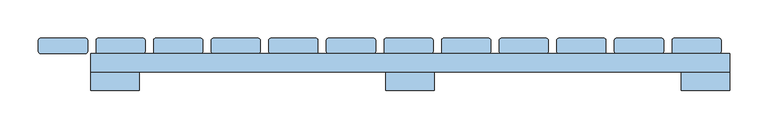
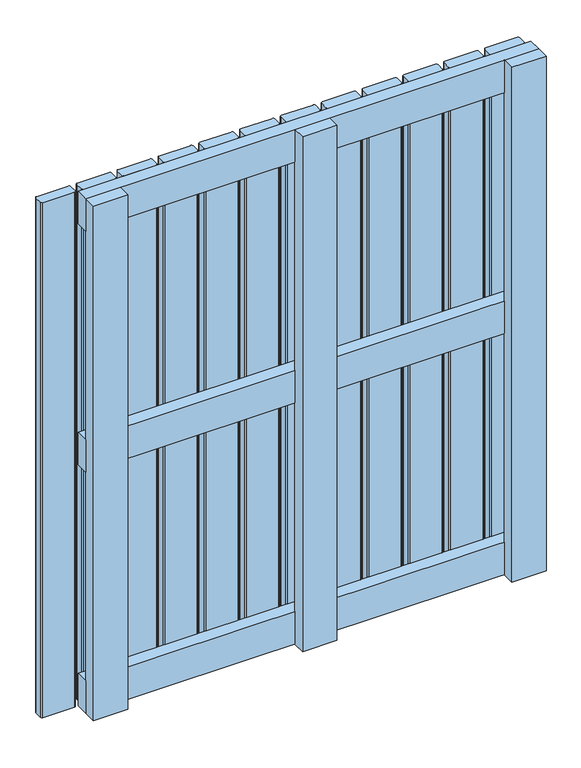
"""IFC4 building model written with IfcOpenShell, lengths in millimetres: window geometry."""

from ifc_helpers import new_model, si_unit, point, frame, frame_2d, origin, place, context, project, spatial, polyline, circle_curve, trimmed, segment, composite_curve, outline, extrude, source, transform, mapped, element, save


def window_4993a801(model_context):
    return source(origin(), model_context, "Body", "SweptSolid", [
        extrude(outline(polyline([(418.0, 60.1), (418.0, 36.1), (-414.0, 36.1), (-414.0, 60.1), (418.0, 60.1)])), frame((0.0, 0.0, 568.5), z_axis=(0.0, 0.0, 1.0), x_axis=(1.0, 0.0, 0.0)), (0.0, 0.0, 1.0), 63.0),
        extrude(outline(polyline([(418.0, 60.0), (418.0, 36.0), (-414.0, 36.0), (-414.0, 60.0), (418.0, 60.0)])), frame((0.0, 0.0, 1037.0), z_axis=(0.0, 0.0, 1.0), x_axis=(1.0, 0.0, 0.0)), (0.0, 0.0, 1.0), 63.0),
        extrude(outline(polyline([(418.0, 60.0), (418.0, 36.0), (-414.0, 36.0), (-414.0, 60.0), (418.0, 60.0)])), frame((0.0, 0.0, 100.0), z_axis=(0.0, 0.0, 1.0), x_axis=(1.0, 0.0, 0.0)), (0.0, 0.0, 1.0), 63.0),
        extrude(outline(composite_curve([segment(polyline([(-404.0, 80.0), (-346.0, 80.0)]), True, "CONTINUOUS"), segment(trimmed(circle_curve(frame_2d((-346.0, 77.0)), 3.0), [point((-346.0, 80.0))], [point((-343.0, 77.0))], False, "CARTESIAN"), True, "CONTINUOUS"), segment(polyline([(-343.0, 77.0), (-343.0, 63.0)]), True, "CONTINUOUS"), segment(trimmed(circle_curve(frame_2d((-346.0, 63.0)), 3.0), [point((-343.0, 63.0))], [point((-346.0, 60.0))], False, "CARTESIAN"), True, "CONTINUOUS"), segment(polyline([(-346.0, 60.0), (-404.0, 60.0)]), True, "CONTINUOUS"), segment(trimmed(circle_curve(frame_2d((-404.0, 63.0)), 3.0), [point((-404.0, 60.0))], [point((-407.0, 63.0))], False, "CARTESIAN"), True, "CONTINUOUS"), segment(polyline([(-407.0, 63.0), (-407.0, 77.0)]), True, "CONTINUOUS"), segment(trimmed(circle_curve(frame_2d((-404.0, 77.0)), 3.0), [point((-407.0, 77.0))], [point((-404.0, 80.0))], False, "CARTESIAN"), True, "CONTINUOUS")], self_intersect=False)), frame((0.0, 0.0, 100.0), z_axis=(0.0, 0.0, 1.0), x_axis=(1.0, 0.0, 0.0)), (0.0, 0.0, 1.0), 1000.0),
        extrude(outline(composite_curve([segment(polyline([(-329.0, 80.0), (-271.0, 80.0)]), True, "CONTINUOUS"), segment(trimmed(circle_curve(frame_2d((-271.0, 77.0)), 3.0), [point((-271.0, 80.0))], [point((-268.0, 77.0))], False, "CARTESIAN"), True, "CONTINUOUS"), segment(polyline([(-268.0, 77.0), (-268.0, 63.0)]), True, "CONTINUOUS"), segment(trimmed(circle_curve(frame_2d((-271.0, 63.0)), 3.0), [point((-268.0, 63.0))], [point((-271.0, 60.0))], False, "CARTESIAN"), True, "CONTINUOUS"), segment(polyline([(-271.0, 60.0), (-329.0, 60.0)]), True, "CONTINUOUS"), segment(trimmed(circle_curve(frame_2d((-329.0, 63.0)), 3.0), [point((-329.0, 60.0))], [point((-332.0, 63.0))], False, "CARTESIAN"), True, "CONTINUOUS"), segment(polyline([(-332.0, 63.0), (-332.0, 77.0)]), True, "CONTINUOUS"), segment(trimmed(circle_curve(frame_2d((-329.0, 77.0)), 3.0), [point((-332.0, 77.0))], [point((-329.0, 80.0))], False, "CARTESIAN"), True, "CONTINUOUS")], self_intersect=False)), frame((0.0, 0.0, 100.0), z_axis=(0.0, 0.0, 1.0), x_axis=(1.0, 0.0, 0.0)), (0.0, 0.0, 1.0), 1000.0),
        extrude(outline(composite_curve([segment(polyline([(-254.0, 80.0), (-196.0, 80.0)]), True, "CONTINUOUS"), segment(trimmed(circle_curve(frame_2d((-196.0, 77.0)), 3.0), [point((-196.0, 80.0))], [point((-193.0, 77.0))], False, "CARTESIAN"), True, "CONTINUOUS"), segment(polyline([(-193.0, 77.0), (-193.0, 63.0)]), True, "CONTINUOUS"), segment(trimmed(circle_curve(frame_2d((-196.0, 63.0)), 3.0), [point((-193.0, 63.0))], [point((-196.0, 60.0))], False, "CARTESIAN"), True, "CONTINUOUS"), segment(polyline([(-196.0, 60.0), (-254.0, 60.0)]), True, "CONTINUOUS"), segment(trimmed(circle_curve(frame_2d((-254.0, 63.0)), 3.0), [point((-254.0, 60.0))], [point((-257.0, 63.0))], False, "CARTESIAN"), True, "CONTINUOUS"), segment(polyline([(-257.0, 63.0), (-257.0, 77.0)]), True, "CONTINUOUS"), segment(trimmed(circle_curve(frame_2d((-254.0, 77.0)), 3.0), [point((-257.0, 77.0))], [point((-254.0, 80.0))], False, "CARTESIAN"), True, "CONTINUOUS")], self_intersect=False)), frame((0.0, 0.0, 100.0), z_axis=(0.0, 0.0, 1.0), x_axis=(1.0, 0.0, 0.0)), (0.0, 0.0, 1.0), 1000.0),
        extrude(outline(composite_curve([segment(polyline([(-179.0, 80.0), (-121.0, 80.0)]), True, "CONTINUOUS"), segment(trimmed(circle_curve(frame_2d((-121.0, 77.0)), 3.0), [point((-121.0, 80.0))], [point((-118.0, 77.0))], False, "CARTESIAN"), True, "CONTINUOUS"), segment(polyline([(-118.0, 77.0), (-118.0, 63.0)]), True, "CONTINUOUS"), segment(trimmed(circle_curve(frame_2d((-121.0, 63.0)), 3.0), [point((-118.0, 63.0))], [point((-121.0, 60.0))], False, "CARTESIAN"), True, "CONTINUOUS"), segment(polyline([(-121.0, 60.0), (-179.0, 60.0)]), True, "CONTINUOUS"), segment(trimmed(circle_curve(frame_2d((-179.0, 63.0)), 3.0), [point((-179.0, 60.0))], [point((-182.0, 63.0))], False, "CARTESIAN"), True, "CONTINUOUS"), segment(polyline([(-182.0, 63.0), (-182.0, 77.0)]), True, "CONTINUOUS"), segment(trimmed(circle_curve(frame_2d((-179.0, 77.0)), 3.0), [point((-182.0, 77.0))], [point((-179.0, 80.0))], False, "CARTESIAN"), True, "CONTINUOUS")], self_intersect=False)), frame((0.0, 0.0, 100.0), z_axis=(0.0, 0.0, 1.0), x_axis=(1.0, 0.0, 0.0)), (0.0, 0.0, 1.0), 1000.0),
        extrude(outline(composite_curve([segment(polyline([(-104.0, 80.0), (-46.0, 80.0)]), True, "CONTINUOUS"), segment(trimmed(circle_curve(frame_2d((-46.0, 77.0)), 3.0), [point((-46.0, 80.0))], [point((-43.0, 77.0))], False, "CARTESIAN"), True, "CONTINUOUS"), segment(polyline([(-43.0, 77.0), (-43.0, 63.0)]), True, "CONTINUOUS"), segment(trimmed(circle_curve(frame_2d((-46.0, 63.0)), 3.0), [point((-43.0, 63.0))], [point((-46.0, 60.0))], False, "CARTESIAN"), True, "CONTINUOUS"), segment(polyline([(-46.0, 60.0), (-104.0, 60.0)]), True, "CONTINUOUS"), segment(trimmed(circle_curve(frame_2d((-104.0, 63.0)), 3.0), [point((-104.0, 60.0))], [point((-107.0, 63.0))], False, "CARTESIAN"), True, "CONTINUOUS"), segment(polyline([(-107.0, 63.0), (-107.0, 77.0)]), True, "CONTINUOUS"), segment(trimmed(circle_curve(frame_2d((-104.0, 77.0)), 3.0), [point((-107.0, 77.0))], [point((-104.0, 80.0))], False, "CARTESIAN"), True, "CONTINUOUS")], self_intersect=False)), frame((0.0, 0.0, 100.0), z_axis=(0.0, 0.0, 1.0), x_axis=(1.0, 0.0, 0.0)), (0.0, 0.0, 1.0), 1000.0),
        extrude(outline(composite_curve([segment(polyline([(-29.0, 80.0), (29.0, 80.0)]), True, "CONTINUOUS"), segment(trimmed(circle_curve(frame_2d((29.0, 77.0)), 3.0), [point((29.0, 80.0))], [point((32.0, 77.0))], False, "CARTESIAN"), True, "CONTINUOUS"), segment(polyline([(32.0, 77.0), (32.0, 63.0)]), True, "CONTINUOUS"), segment(trimmed(circle_curve(frame_2d((29.0, 63.0)), 3.0), [point((32.0, 63.0))], [point((29.0, 60.0))], False, "CARTESIAN"), True, "CONTINUOUS"), segment(polyline([(29.0, 60.0), (-29.0, 60.0)]), True, "CONTINUOUS"), segment(trimmed(circle_curve(frame_2d((-29.0, 63.0)), 3.0), [point((-29.0, 60.0))], [point((-32.0, 63.0))], False, "CARTESIAN"), True, "CONTINUOUS"), segment(polyline([(-32.0, 63.0), (-32.0, 77.0)]), True, "CONTINUOUS"), segment(trimmed(circle_curve(frame_2d((-29.0, 77.0)), 3.0), [point((-32.0, 77.0))], [point((-29.0, 80.0))], False, "CARTESIAN"), True, "CONTINUOUS")], self_intersect=False)), frame((0.0, 0.0, 100.0), z_axis=(0.0, 0.0, 1.0), x_axis=(1.0, 0.0, 0.0)), (0.0, 0.0, 1.0), 1000.0),
        extrude(outline(composite_curve([segment(polyline([(46.0, 80.0), (104.0, 80.0)]), True, "CONTINUOUS"), segment(trimmed(circle_curve(frame_2d((104.0, 77.0)), 3.0), [point((104.0, 80.0))], [point((107.0, 77.0))], False, "CARTESIAN"), True, "CONTINUOUS"), segment(polyline([(107.0, 77.0), (107.0, 63.0)]), True, "CONTINUOUS"), segment(trimmed(circle_curve(frame_2d((104.0, 63.0)), 3.0), [point((107.0, 63.0))], [point((104.0, 60.0))], False, "CARTESIAN"), True, "CONTINUOUS"), segment(polyline([(104.0, 60.0), (46.0, 60.0)]), True, "CONTINUOUS"), segment(trimmed(circle_curve(frame_2d((46.0, 63.0)), 3.0), [point((46.0, 60.0))], [point((43.0, 63.0))], False, "CARTESIAN"), True, "CONTINUOUS"), segment(polyline([(43.0, 63.0), (43.0, 77.0)]), True, "CONTINUOUS"), segment(trimmed(circle_curve(frame_2d((46.0, 77.0)), 3.0), [point((43.0, 77.0))], [point((46.0, 80.0))], False, "CARTESIAN"), True, "CONTINUOUS")], self_intersect=False)), frame((0.0, 0.0, 100.0), z_axis=(0.0, 0.0, 1.0), x_axis=(1.0, 0.0, 0.0)), (0.0, 0.0, 1.0), 1000.0),
        extrude(outline(composite_curve([segment(polyline([(121.0, 80.0), (179.0, 80.0)]), True, "CONTINUOUS"), segment(trimmed(circle_curve(frame_2d((179.0, 77.0)), 3.0), [point((179.0, 80.0))], [point((182.0, 77.0))], False, "CARTESIAN"), True, "CONTINUOUS"), segment(polyline([(182.0, 77.0), (182.0, 63.0)]), True, "CONTINUOUS"), segment(trimmed(circle_curve(frame_2d((179.0, 63.0)), 3.0), [point((182.0, 63.0))], [point((179.0, 60.0))], False, "CARTESIAN"), True, "CONTINUOUS"), segment(polyline([(179.0, 60.0), (121.0, 60.0)]), True, "CONTINUOUS"), segment(trimmed(circle_curve(frame_2d((121.0, 63.0)), 3.0), [point((121.0, 60.0))], [point((118.0, 63.0))], False, "CARTESIAN"), True, "CONTINUOUS"), segment(polyline([(118.0, 63.0), (118.0, 77.0)]), True, "CONTINUOUS"), segment(trimmed(circle_curve(frame_2d((121.0, 77.0)), 3.0), [point((118.0, 77.0))], [point((121.0, 80.0))], False, "CARTESIAN"), True, "CONTINUOUS")], self_intersect=False)), frame((0.0, 0.0, 100.0), z_axis=(0.0, 0.0, 1.0), x_axis=(1.0, 0.0, 0.0)), (0.0, 0.0, 1.0), 1000.0),
        extrude(outline(composite_curve([segment(polyline([(196.0, 80.0), (254.0, 80.0)]), True, "CONTINUOUS"), segment(trimmed(circle_curve(frame_2d((254.0, 77.0)), 3.0), [point((254.0, 80.0))], [point((257.0, 77.0))], False, "CARTESIAN"), True, "CONTINUOUS"), segment(polyline([(257.0, 77.0), (257.0, 63.0)]), True, "CONTINUOUS"), segment(trimmed(circle_curve(frame_2d((254.0, 63.0)), 3.0), [point((257.0, 63.0))], [point((254.0, 60.0))], False, "CARTESIAN"), True, "CONTINUOUS"), segment(polyline([(254.0, 60.0), (196.0, 60.0)]), True, "CONTINUOUS"), segment(trimmed(circle_curve(frame_2d((196.0, 63.0)), 3.0), [point((196.0, 60.0))], [point((193.0, 63.0))], False, "CARTESIAN"), True, "CONTINUOUS"), segment(polyline([(193.0, 63.0), (193.0, 77.0)]), True, "CONTINUOUS"), segment(trimmed(circle_curve(frame_2d((196.0, 77.0)), 3.0), [point((193.0, 77.0))], [point((196.0, 80.0))], False, "CARTESIAN"), True, "CONTINUOUS")], self_intersect=False)), frame((0.0, 0.0, 100.0), z_axis=(0.0, 0.0, 1.0), x_axis=(1.0, 0.0, 0.0)), (0.0, 0.0, 1.0), 1000.0),
        extrude(outline(composite_curve([segment(polyline([(271.0, 80.0), (329.0, 80.0)]), True, "CONTINUOUS"), segment(trimmed(circle_curve(frame_2d((329.0, 77.0)), 3.0), [point((329.0, 80.0))], [point((332.0, 77.0))], False, "CARTESIAN"), True, "CONTINUOUS"), segment(polyline([(332.0, 77.0), (332.0, 63.0)]), True, "CONTINUOUS"), segment(trimmed(circle_curve(frame_2d((329.0, 63.0)), 3.0), [point((332.0, 63.0))], [point((329.0, 60.0))], False, "CARTESIAN"), True, "CONTINUOUS"), segment(polyline([(329.0, 60.0), (271.0, 60.0)]), True, "CONTINUOUS"), segment(trimmed(circle_curve(frame_2d((271.0, 63.0)), 3.0), [point((271.0, 60.0))], [point((268.0, 63.0))], False, "CARTESIAN"), True, "CONTINUOUS"), segment(polyline([(268.0, 63.0), (268.0, 77.0)]), True, "CONTINUOUS"), segment(trimmed(circle_curve(frame_2d((271.0, 77.0)), 3.0), [point((268.0, 77.0))], [point((271.0, 80.0))], False, "CARTESIAN"), True, "CONTINUOUS")], self_intersect=False)), frame((0.0, 0.0, 100.0), z_axis=(0.0, 0.0, 1.0), x_axis=(1.0, 0.0, 0.0)), (0.0, 0.0, 1.0), 1000.0),
        extrude(outline(composite_curve([segment(polyline([(-479.0, 80.0), (-421.0, 80.0)]), True, "CONTINUOUS"), segment(trimmed(circle_curve(frame_2d((-421.0, 77.0)), 3.0), [point((-421.0, 80.0))], [point((-418.0, 77.0))], False, "CARTESIAN"), True, "CONTINUOUS"), segment(polyline([(-418.0, 77.0), (-418.0, 63.0)]), True, "CONTINUOUS"), segment(trimmed(circle_curve(frame_2d((-421.0, 63.0)), 3.0), [point((-418.0, 63.0))], [point((-421.0, 60.0))], False, "CARTESIAN"), True, "CONTINUOUS"), segment(polyline([(-421.0, 60.0), (-479.0, 60.0)]), True, "CONTINUOUS"), segment(trimmed(circle_curve(frame_2d((-479.0, 63.0)), 3.0), [point((-479.0, 60.0))], [point((-482.0, 63.0))], False, "CARTESIAN"), True, "CONTINUOUS"), segment(polyline([(-482.0, 63.0), (-482.0, 77.0)]), True, "CONTINUOUS"), segment(trimmed(circle_curve(frame_2d((-479.0, 77.0)), 3.0), [point((-482.0, 77.0))], [point((-479.0, 80.0))], False, "CARTESIAN"), True, "CONTINUOUS")], self_intersect=False)), frame((0.0, 0.0, 100.0), z_axis=(0.0, 0.0, 1.0), x_axis=(1.0, 0.0, 0.0)), (0.0, 0.0, 1.0), 1000.0),
        extrude(outline(composite_curve([segment(polyline([(346.0, 80.0), (404.0, 80.0)]), True, "CONTINUOUS"), segment(trimmed(circle_curve(frame_2d((404.0, 77.0)), 3.0), [point((404.0, 80.0))], [point((407.0, 77.0))], False, "CARTESIAN"), True, "CONTINUOUS"), segment(polyline([(407.0, 77.0), (407.0, 63.0)]), True, "CONTINUOUS"), segment(trimmed(circle_curve(frame_2d((404.0, 63.0)), 3.0), [point((407.0, 63.0))], [point((404.0, 60.0))], False, "CARTESIAN"), True, "CONTINUOUS"), segment(polyline([(404.0, 60.0), (346.0, 60.0)]), True, "CONTINUOUS"), segment(trimmed(circle_curve(frame_2d((346.0, 63.0)), 3.0), [point((346.0, 60.0))], [point((343.0, 63.0))], False, "CARTESIAN"), True, "CONTINUOUS"), segment(polyline([(343.0, 63.0), (343.0, 77.0)]), True, "CONTINUOUS"), segment(trimmed(circle_curve(frame_2d((346.0, 77.0)), 3.0), [point((343.0, 77.0))], [point((346.0, 80.0))], False, "CARTESIAN"), True, "CONTINUOUS")], self_intersect=False)), frame((0.0, 0.0, 100.0), z_axis=(0.0, 0.0, 1.0), x_axis=(1.0, 0.0, 0.0)), (0.0, 0.0, 1.0), 1000.0),
        extrude(outline(polyline([(-29.5, 36.1), (33.5, 36.1), (33.5, 12.1), (-29.5, 12.1), (-29.5, 36.1)])), frame((0.0, 0.0, 100.0), z_axis=(0.0, 0.0, 1.0), x_axis=(1.0, 0.0, 0.0)), (0.0, 0.0, 1.0), 1000.0),
        extrude(outline(polyline([(-414.0, 36.0), (-351.0, 36.0), (-351.0, 12.0), (-414.0, 12.0), (-414.0, 36.0)])), frame((0.0, 0.0, 100.0), z_axis=(0.0, 0.0, 1.0), x_axis=(1.0, 0.0, 0.0)), (0.0, 0.0, 1.0), 1000.0),
        extrude(outline(polyline([(355.0, 36.0), (418.0, 36.0), (418.0, 12.0), (355.0, 12.0), (355.0, 36.0)])), frame((0.0, 0.0, 100.0), z_axis=(0.0, 0.0, 1.0), x_axis=(1.0, 0.0, 0.0)), (0.0, 0.0, 1.0), 1000.0),
    ])


if __name__ == "__main__":
    model = new_model("IFC4")
    model_context = context("Model", 3, world=origin())
    ifc_project = project(units=[si_unit("LENGTHUNIT", "METRE", prefix="MILLI")], contexts=[model_context])
    site = spatial("IfcSite", under=ifc_project)
    building = spatial("IfcBuilding", under=site)
    placement = place(None, origin())
    window_shape = window_4993a801(model_context)
    element("IfcWindow", 1, at=placement, inside=building, context=model_context, shape_type="MappedRepresentation", body=[
        mapped(window_shape, transform((0.0, 0.0, 0.0), x_axis=(1.0, 0.0, 0.0), y_axis=(0.0, 1.0, 0.0), z_axis=(0.0, 0.0, 1.0))),
    ])
    save(model, "model.ifc")
